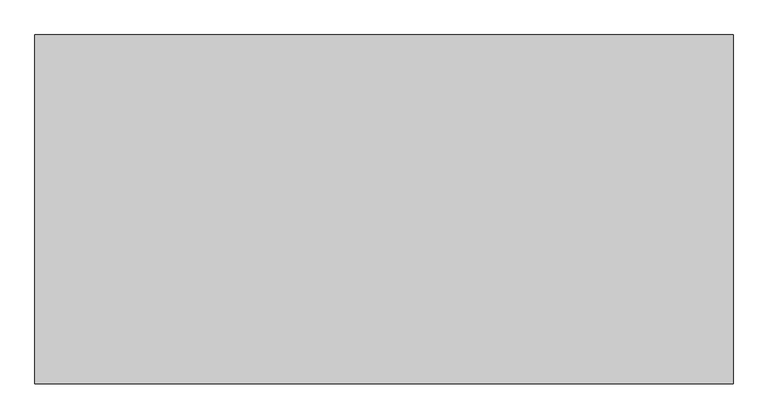
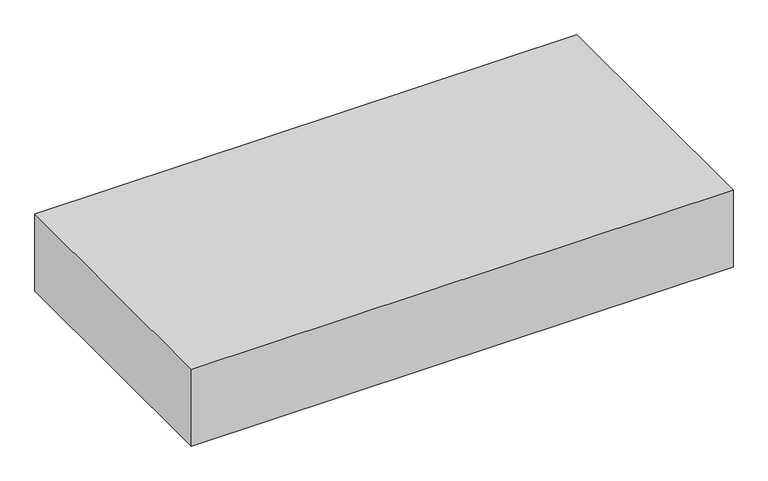
"""IFC4 building model written with IfcOpenShell, lengths in millimetres: proxy geometry."""

from ifc_helpers import new_model, si_unit, origin, origin_with_axes, place, context, project, spatial, polyline, outline, extrude, source, transform, mapped, element, save


def generic_models_0962a3d1(model_context):
    return source(origin(), model_context, "Body", "SweptSolid", [
        extrude(outline(polyline([(-480.7030535, -40.8346095), (-20480.7030535, -40.8346095), (-20480.7030535, 9959.1653905), (-480.7030535, 9959.1653905), (-480.7030535, -40.8346095)])), origin_with_axes(), (0.0, 0.0, 1.0), 3000.0),
    ])


if __name__ == "__main__":
    model = new_model("IFC4")
    model_context = context("Model", 3, world=origin())
    ifc_project = project(units=[si_unit("LENGTHUNIT", "METRE", prefix="MILLI")], contexts=[model_context])
    site = spatial("IfcSite", under=ifc_project)
    building = spatial("IfcBuilding", under=site)
    placement = place(None, origin())
    generic_models_shape = generic_models_0962a3d1(model_context)
    element("IfcBuildingElementProxy", 1, Name="Generic Models", at=placement, inside=building, context=model_context, shape_type="MappedRepresentation", body=[
        mapped(generic_models_shape, transform((0.0, 0.0, 0.0), x_axis=(1.0, 0.0, 0.0), y_axis=(0.0, 1.0, 0.0), z_axis=(0.0, 0.0, 1.0))),
    ])
    save(model, "model.ifc")
